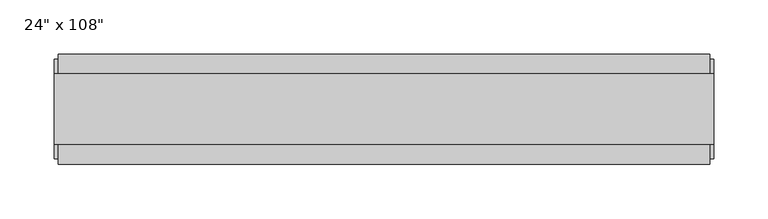
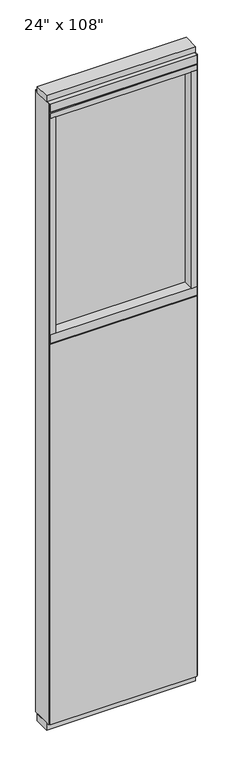
"""IFC4 building model written with IfcOpenShell, lengths in millimetres: furniture geometry."""

from ifc_helpers import new_model, si_unit, frame, origin, origin_with_axes, place, context, project, spatial, polyline, outline, extrude, source, transform, mapped, element, save


def furniture_91e61bd0(model_context):
    return source(origin(), model_context, "Body", "SweptSolid", [
        extrude(outline(polyline([(240.8264771, -46.2822784), (-360.8995229, -46.2822784), (-360.8995229, -33.5822784), (240.8264771, -33.5822784), (240.8264771, -46.2822784)])), frame((0.0, 0.0, 31.75), z_axis=(0.0, 0.0, 1.0), x_axis=(1.0, 0.0, 0.0)), (0.0, 0.0, 1.0), 1644.65),
        extrude(outline(polyline([(240.8264771, 55.3177216), (240.8264771, 42.6177216), (-360.8995229, 42.6177216), (-360.8995229, 55.3177216), (240.8264771, 55.3177216)])), frame((0.0, 0.0, 31.75), z_axis=(0.0, 0.0, 1.0), x_axis=(1.0, 0.0, 0.0)), (0.0, 0.0, 1.0), 1644.65),
        extrude(outline(polyline([(218.6014771, 9.5977216), (218.6014771, -0.5622784), (-338.6745229, -0.5622784), (-338.6745229, 9.5977216), (218.6014771, 9.5977216)])), frame((0.0, 0.0, 1717.675), z_axis=(0.0, 0.0, 1.0), x_axis=(1.0, 0.0, 0.0)), (0.0, 0.0, 1.0), 936.625),
        extrude(outline(polyline([(218.6014771, 55.3177216), (240.8264771, 55.3177216), (240.8264771, -46.2822784), (218.6014771, -46.2822784), (218.6014771, 55.3177216)])), frame((0.0, 0.0, 1717.675), z_axis=(0.0, 0.0, 1.0), x_axis=(1.0, 0.0, 0.0)), (0.0, 0.0, 1.0), 936.625),
        extrude(outline(polyline([(55.3177216, 1681.353), (50.3647216, 1681.353), (50.3647216, 1676.4), (-41.3292784, 1676.4), (-41.3292784, 1681.353), (-46.2822784, 1681.353), (-46.2822784, 1717.675), (55.3177216, 1717.675), (55.3177216, 1681.353)])), frame((-360.8995229, 0.0, 0.0), z_axis=(1.0, 0.0, 0.0), x_axis=(0.0, 1.0, 0.0)), (0.0, 0.0, 1.0), 601.726),
        extrude(outline(polyline([(-338.6745229, 55.3177216), (-338.6745229, -46.2822784), (-360.8995229, -46.2822784), (-360.8995229, 55.3177216), (-338.6745229, 55.3177216)])), frame((0.0, 0.0, 1717.675), z_axis=(0.0, 0.0, 1.0), x_axis=(1.0, 0.0, 0.0)), (0.0, 0.0, 1.0), 936.625),
        extrude(outline(polyline([(244.7634771, -27.9942784), (-364.8365229, -27.9942784), (-364.8365229, 37.0297216), (244.7634771, 37.0297216), (244.7634771, -27.9942784)])), origin_with_axes(), (0.0, 0.0, 1.0), 31.75),
        extrude(outline(polyline([(-364.8365229, 37.0297216), (244.7634771, 37.0297216), (244.7634771, -27.9942784), (-364.8365229, -27.9942784), (-364.8365229, 37.0297216)])), frame((0.0, 0.0, 2717.8), z_axis=(0.0, 0.0, 1.0), x_axis=(1.0, 0.0, 0.0)), (0.0, 0.0, 1.0), 25.4),
        extrude(outline(polyline([(55.3177216, 2681.478), (50.3647216, 2681.478), (50.3647216, 2676.525), (-41.3292784, 2676.525), (-41.3292784, 2681.478), (-46.2822784, 2681.478), (-46.2822784, 2717.8), (55.3177216, 2717.8), (55.3177216, 2681.478)])), frame((-360.8995229, 0.0, 0.0), z_axis=(1.0, 0.0, 0.0), x_axis=(0.0, 1.0, 0.0)), (0.0, 0.0, 1.0), 601.726),
        extrude(outline(polyline([(240.8264771, -46.2822784), (-360.8995229, -46.2822784), (-360.8995229, 55.3177216), (240.8264771, 55.3177216), (240.8264771, -46.2822784)])), frame((0.0, 0.0, 2654.3), z_axis=(0.0, 0.0, 1.0), x_axis=(1.0, 0.0, 0.0)), (0.0, 0.0, 1.0), 22.225),
        extrude(outline(polyline([(244.7634771, 50.3647216), (244.7634771, -41.3292784), (240.8264771, -41.3292784), (240.8264771, 50.3647216), (244.7634771, 50.3647216)])), frame((0.0, 0.0, 31.75), z_axis=(0.0, 0.0, 1.0), x_axis=(1.0, 0.0, 0.0)), (0.0, 0.0, 1.0), 2686.05),
        extrude(outline(polyline([(-364.8365229, 50.3647216), (-360.8995229, 50.3647216), (-360.8995229, -41.3292784), (-364.8365229, -41.3292784), (-364.8365229, 50.3647216)])), frame((0.0, 0.0, 31.75), z_axis=(0.0, 0.0, 1.0), x_axis=(1.0, 0.0, 0.0)), (0.0, 0.0, 1.0), 2686.05),
    ])


if __name__ == "__main__":
    model = new_model("IFC4")
    model_context = context("Model", 3, world=origin())
    ifc_project = project(units=[si_unit("LENGTHUNIT", "METRE", prefix="MILLI")], contexts=[model_context])
    site = spatial("IfcSite", under=ifc_project)
    building = spatial("IfcBuilding", under=site)
    placement = place(None, origin())
    furniture_shape = furniture_91e61bd0(model_context)
    element("IfcFurniture", 1, ObjectType="24\" x 108\"", at=placement, inside=building, context=model_context, shape_type="MappedRepresentation", body=[
        mapped(furniture_shape, transform((0.0, 0.0, 0.0), x_axis=(1.0, 0.0, 0.0), y_axis=(0.0, 1.0, 0.0), z_axis=(0.0, 0.0, 1.0))),
    ])
    save(model, "model.ifc")
